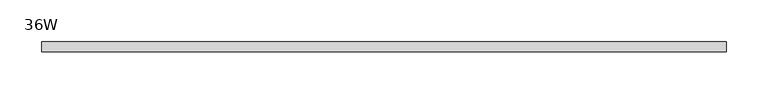
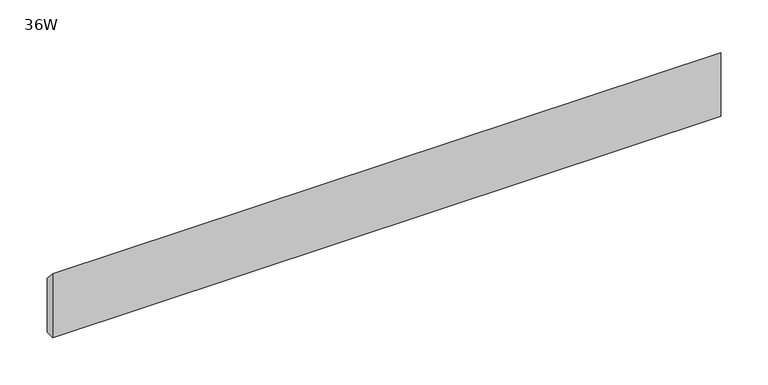
"""IFC4 building model written with IfcOpenShell, lengths in millimetres: furniture geometry, 36W."""

import ifcopenshell
import ifcopenshell.guid

model = None  # the IFC model being written
_history = None  # IfcOwnerHistory: only IFC2X3 demands one
_inside = {}  # id of a spatial element -> (the spatial element, [elements in it])
_under = {}  # id of a project, library or spatial element -> (it, [spatial elements below it])
_declared = {}  # id of a project -> (the project, [libraries it declares])
_typed = {}  # id of a type object -> (the type object, [elements of that type])
_made_of = {}  # id of a material, layer set ... -> (it, [elements and type objects made of it])


def new_model(schema):
    """Start an empty IFC model of exactly this schema.

    Asked for "IFC4X3", IfcOpenShell would pick the latest addendum, in which some entities
    have other attributes; the version numbers below select the first issue.
    IFC2X3 requires an IfcOwnerHistory on every rooted entity: one is made here for all.
    """
    global model, _history
    if schema == "IFC4X3":
        model = ifcopenshell.file(schema_version=(4, 3, 0, 0))
    else:
        model = ifcopenshell.file(schema=schema)
    _inside.clear()
    _under.clear()
    _declared.clear()
    _typed.clear()
    _made_of.clear()
    _history = None
    if model.schema == "IFC2X3":
        org = make("IfcOrganization", Name="unknown")
        user = make(
            "IfcPersonAndOrganization",
            ThePerson=make("IfcPerson", FamilyName="unknown"),
            TheOrganization=org,
        )
        app = make(
            "IfcApplication",
            ApplicationDeveloper=org,
            Version="unknown",
            ApplicationFullName="unknown",
            ApplicationIdentifier="unknown",
        )
        _history = make(
            "IfcOwnerHistory",
            OwningUser=user,
            OwningApplication=app,
            ChangeAction="ADDED",
            CreationDate=0,
        )
    return model


def make(cls, **values):
    """One entity of the class cls with the attributes given. An attribute that is None is left unset."""
    return model.create_entity(
        cls, **{name: value for name, value in values.items() if value is not None}
    )


def rooted(cls, **values):
    """An entity with a GlobalId (a new one), such as an element, a storey or a relation."""
    return make(cls, GlobalId=ifcopenshell.guid.new(), OwnerHistory=_history, **values)


def si_unit(unit_type, name, prefix=None):
    """IfcSIUnit, for example si_unit("LENGTHUNIT", "METRE", prefix="MILLI")."""
    return make("IfcSIUnit", UnitType=unit_type, Prefix=prefix, Name=name)


def assignment(units):
    """IfcUnitAssignment: the units of a project."""
    return None if units is None else make("IfcUnitAssignment", Units=units)


def point(xyz):
    """IfcCartesianPoint."""
    return None if xyz is None else make("IfcCartesianPoint", Coordinates=xyz)


def direction(xyz):
    """IfcDirection."""
    return None if xyz is None else make("IfcDirection", DirectionRatios=xyz)


def frame(location, z_axis=None, x_axis=None):
    """IfcAxis2Placement3D, a coordinate frame: its origin and axes. An axis left out is left unset."""
    return make(
        "IfcAxis2Placement3D",
        Location=point(location),
        Axis=direction(z_axis),
        RefDirection=direction(x_axis),
    )


def origin():
    """The frame at (0, 0, 0) with its axes left unset."""
    return frame((0.0, 0.0, 0.0))


def place(relative_to, where):
    """IfcLocalPlacement: puts the frame where relative to a parent placement (None: the world)."""
    return make(
        "IfcLocalPlacement", PlacementRelTo=relative_to, RelativePlacement=where
    )


def context(
    kind, dimensions, precision=None, world=None, true_north=None, identifier=None
):
    """IfcGeometricRepresentationContext, for example the 3D "Model" context."""
    return make(
        "IfcGeometricRepresentationContext",
        ContextIdentifier=identifier,
        ContextType=kind,
        CoordinateSpaceDimension=dimensions,
        Precision=precision,
        WorldCoordinateSystem=world,
        TrueNorth=true_north,
    )


def project(units=None, contexts=None):
    """IfcProject with its units and contexts."""
    return rooted(
        "IfcProject",
        Name="project",
        RepresentationContexts=contexts,
        UnitsInContext=assignment(units),
    )


def spatial(cls, under=None, at=None, **own):
    """A site, building, storey or space (cls), placed at a placement, below another one or the project."""
    s = rooted(cls, ObjectPlacement=at, **own)
    if under is not None:
        _under.setdefault(under.id(), (under, []))[1].append(s)
    return s


def polyline(points):
    """IfcPolyline through the points."""
    return make("IfcPolyline", Points=[point(p) for p in points])


def outline(outer, holes=None, kind="AREA"):
    """IfcArbitraryClosedProfileDef: a profile drawn as a closed curve; with holes, ...WithVoids."""
    if holes is None:
        return make("IfcArbitraryClosedProfileDef", ProfileType=kind, OuterCurve=outer)
    return make(
        "IfcArbitraryProfileDefWithVoids",
        ProfileType=kind,
        OuterCurve=outer,
        InnerCurves=holes,
    )


def extrude(swept, where, along, depth):
    """IfcExtrudedAreaSolid: the profile swept, set in the frame where, extruded along a direction by depth."""
    return make(
        "IfcExtrudedAreaSolid",
        SweptArea=swept,
        Position=where,
        ExtrudedDirection=direction(along),
        Depth=depth,
    )


def shape(context_of_items, identifier, shape_type, items):
    """IfcShapeRepresentation: the items that make up one representation, for example the "Body"."""
    return make(
        "IfcShapeRepresentation",
        ContextOfItems=context_of_items,
        RepresentationIdentifier=identifier,
        RepresentationType=shape_type,
        Items=items,
    )


def source(mapping_origin, context_of_items, identifier, shape_type, items):
    """IfcRepresentationMap: a shape defined once, which mapped items show again and again."""
    return make(
        "IfcRepresentationMap",
        MappingOrigin=mapping_origin,
        MappedRepresentation=shape(context_of_items, identifier, shape_type, items),
    )


def transform(
    local_origin,
    x_axis=None,
    y_axis=None,
    z_axis=None,
    scale=None,
    scale2=None,
    scale3=None,
    uniform=True,
):
    """IfcCartesianTransformationOperator3D, or its non-uniform kind. x_axis, y_axis, z_axis: its Axis1, 2, 3."""
    if uniform:
        return make(
            "IfcCartesianTransformationOperator3D",
            Axis1=direction(x_axis),
            Axis2=direction(y_axis),
            LocalOrigin=point(local_origin),
            Scale=scale,
            Axis3=direction(z_axis),
        )
    return make(
        "IfcCartesianTransformationOperator3DnonUniform",
        Axis1=direction(x_axis),
        Axis2=direction(y_axis),
        LocalOrigin=point(local_origin),
        Scale=scale,
        Axis3=direction(z_axis),
        Scale2=scale2,
        Scale3=scale3,
    )


def mapped(mapping_source, mapping_target):
    """IfcMappedItem: shows the shape of a source again, moved by a transform."""
    return make(
        "IfcMappedItem", MappingSource=mapping_source, MappingTarget=mapping_target
    )


def made_of(thing, what):
    """Note that an element or type object is made of a material, layer set ...; save() writes the relation."""
    if what is not None:
        _made_of.setdefault(what.id(), (what, []))[1].append(thing)
    return thing


def element(
    cls,
    number,
    at=None,
    inside=None,
    cuts=None,
    type_object=None,
    material=None,
    context=None,
    identifier="Body",
    shape_type=None,
    held_by="IfcProductDefinitionShape",
    body=None,
    shapes=None,
    **own,
):
    """One element of the class cls, such as IfcWall. Its Tag is "e" and its number.

    at: its placement. inside: the storey or other place that contains it. cuts: it is an
    opening in that element (IfcRelVoidsElement). A single representation is given by context,
    identifier, shape_type and body (its items); several are given by shapes. held_by: the class
    of the entity that holds the representations. save() writes the other relations.
    """
    e = rooted(cls, Tag="e%d" % number, ObjectPlacement=at, **own)
    if body is not None:
        shapes = [shape(context, identifier, shape_type, body)]
    if shapes is not None:
        e.Representation = make(held_by, Representations=shapes)
    if inside is not None:
        _inside.setdefault(inside.id(), (inside, []))[1].append(e)
    if cuts is not None:
        rooted(
            "IfcRelVoidsElement", RelatingBuildingElement=cuts, RelatedOpeningElement=e
        )
    if type_object is not None:
        _typed.setdefault(type_object.id(), (type_object, []))[1].append(e)
    return made_of(e, material)


def aggregate(whole, parts):
    """IfcRelAggregates: a whole, such as a stair, and the parts it consists of."""
    return rooted("IfcRelAggregates", RelatingObject=whole, RelatedObjects=parts)


def save(model, path):
    """Write the relations noted so far, then the file.

    IfcRelAggregates (storeys below a building ...), IfcRelContainedInSpatialStructure (elements
    in a storey), IfcRelDefinesByType, IfcRelAssociatesMaterial and IfcRelDeclares: one each for
    every whole, place, type object, material and project.
    """
    for whole, parts in _under.values():
        aggregate(whole, parts)
    for where, things in _inside.values():
        rooted(
            "IfcRelContainedInSpatialStructure",
            RelatedElements=things,
            RelatingStructure=where,
        )
    for kind, things in _typed.values():
        rooted("IfcRelDefinesByType", RelatedObjects=things, RelatingType=kind)
    for what, things in _made_of.values():
        rooted("IfcRelAssociatesMaterial", RelatedObjects=things, RelatingMaterial=what)
    for by, libraries in _declared.values():
        rooted("IfcRelDeclares", RelatingContext=by, RelatedDefinitions=libraries)
    model.write(path)


def furniture_36w_49ecbc48(model_context):
    return source(origin(), model_context, "Body", "SweptSolid", [
        extrude(outline(polyline([(-11.938, 1703.07), (-11.938, 1785.62), (0.0, 1772.92), (0.0, 1703.07), (-11.938, 1703.07)])), frame((48.006, 0.0, 0.0), z_axis=(1.0, 0.0, 0.0), x_axis=(0.0, 1.0, 0.0)), (0.0, 0.0, 1.0), 818.388),
    ])


if __name__ == "__main__":
    model = new_model("IFC4")
    model_context = context("Model", 3, world=origin())
    ifc_project = project(units=[si_unit("LENGTHUNIT", "METRE", prefix="MILLI")], contexts=[model_context])
    site = spatial("IfcSite", under=ifc_project)
    building = spatial("IfcBuilding", under=site)
    placement = place(None, origin())
    furniture_36w_shape = furniture_36w_49ecbc48(model_context)
    element("IfcFurniture", 1, ObjectType="36W", at=placement, inside=building, context=model_context, shape_type="MappedRepresentation", body=[
        mapped(furniture_36w_shape, transform((0.0, 0.0, 0.0), x_axis=(1.0, 0.0, 0.0), y_axis=(0.0, 1.0, 0.0), z_axis=(0.0, 0.0, 1.0))),
    ])
    save(model, "model.ifc")
